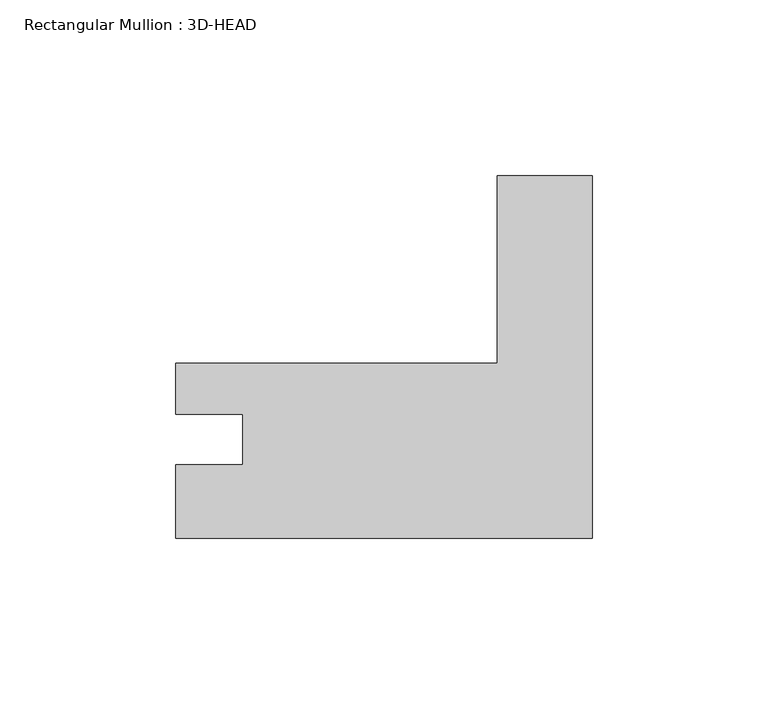
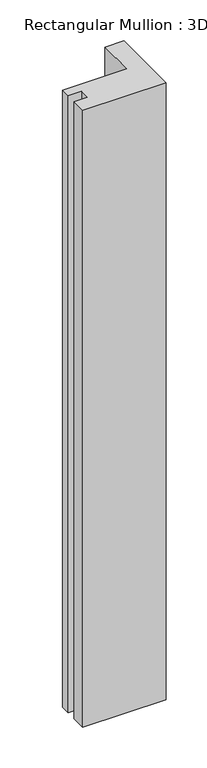
"""IFC4 building model written with IfcOpenShell, lengths in millimetres: member geometry, Rectangular Mullion : 3D-HEAD."""

from ifc_helpers import new_model, si_unit, frame, origin, place, context, project, spatial, polyline, outline, extrude, source, transform, mapped, element, save


def rectangular_mullion_3d_head_a9206ce7(model_context):
    return source(origin(), model_context, "Body", "SweptSolid", [
        extrude(outline(polyline([(-118.2687503, 3.5122352), (-118.2687503, 24.3910418), (-99.2441515, 24.3910418), (-99.2441515, 38.7039352), (-118.2687515, 38.7039352), (-118.2687515, 53.2962352), (-26.9748, 53.2962352), (-26.9748, 106.4917729), (0.0, 106.4917729), (0.0, 3.5122352), (-118.2687503, 3.5122352)])), frame((0.0, 0.0, -923.0558883), z_axis=(0.0, 0.0, 1.0), x_axis=(1.0, 0.0, 0.0)), (0.0, 0.0, 1.0), 923.0558883),
    ])


if __name__ == "__main__":
    model = new_model("IFC4")
    model_context = context("Model", 3, world=origin())
    ifc_project = project(units=[si_unit("LENGTHUNIT", "METRE", prefix="MILLI")], contexts=[model_context])
    site = spatial("IfcSite", under=ifc_project)
    building = spatial("IfcBuilding", under=site)
    placement = place(None, origin())
    rectangular_mullion_3d_head_shape = rectangular_mullion_3d_head_a9206ce7(model_context)
    element("IfcMember", 1, ObjectType="Rectangular Mullion : 3D-HEAD", at=placement, inside=building, context=model_context, shape_type="MappedRepresentation", body=[
        mapped(rectangular_mullion_3d_head_shape, transform((0.0, 0.0, 0.0), x_axis=(1.0, 0.0, 0.0), y_axis=(0.0, 1.0, 0.0), z_axis=(0.0, 0.0, 1.0))),
    ])
    save(model, "model.ifc")
